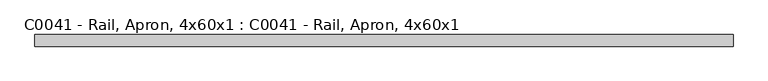
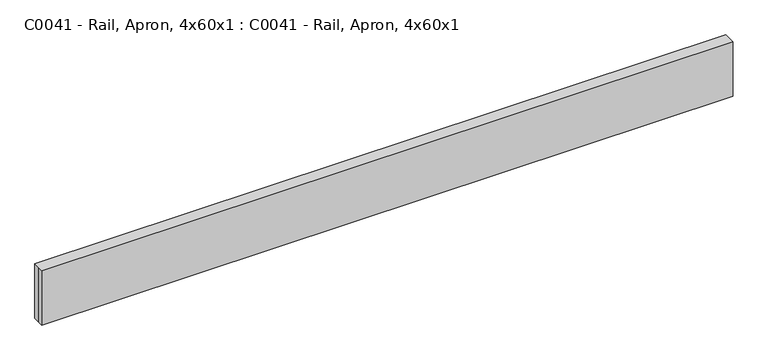
"""IFC4 building model written with IfcOpenShell, lengths in millimetres: proxy geometry, C0041 - Rail, Apron, 4x60x1 : C0041 - Rail, Apron, 4x60x1."""

from ifc_helpers import new_model, si_unit, origin, origin_with_axes, place, context, project, spatial, polyline, outline, extrude, source, transform, mapped, element, save


def c0041_rail_apron_4x60x1_c0041_rail_apron_4x60x1_4ee64734(model_context):
    return source(origin(), model_context, "Body", "SweptSolid", [
        extrude(outline(polyline([(-762.0, 12.7), (762.0, 12.7), (762.0, -12.7), (-762.0, -12.7), (-762.0, 0.0), (-762.0, 12.7)])), origin_with_axes(), (0.0, 0.0, 1.0), 127.0),
        extrude(outline(polyline([(762.0, -12.7), (-762.0, -12.7), (-762.0, 12.7), (762.0, 12.7), (762.0, -12.7)])), origin_with_axes(), (0.0, 0.0, 1.0), 127.0),
    ])


if __name__ == "__main__":
    model = new_model("IFC4")
    model_context = context("Model", 3, world=origin())
    ifc_project = project(units=[si_unit("LENGTHUNIT", "METRE", prefix="MILLI")], contexts=[model_context])
    site = spatial("IfcSite", under=ifc_project)
    building = spatial("IfcBuilding", under=site)
    placement = place(None, origin())
    c0041_rail_apron_4x60x1_c0041_rail_apron_4x60x1_shape = c0041_rail_apron_4x60x1_c0041_rail_apron_4x60x1_4ee64734(model_context)
    element("IfcBuildingElementProxy", 1, Name="C0041 - Rail, Apron, 4x60x1 : C0041 - Rail, Apron, 4x60x1", ObjectType="C0041 - Rail, Apron, 4x60x1 : C0041 - Rail, Apron, 4x60x1", at=placement, inside=building, context=model_context, shape_type="MappedRepresentation", body=[
        mapped(c0041_rail_apron_4x60x1_c0041_rail_apron_4x60x1_shape, transform((0.0, 0.0, 0.0), x_axis=(1.0, 0.0, 0.0), y_axis=(0.0, 1.0, 0.0), z_axis=(0.0, 0.0, 1.0))),
    ])
    save(model, "model.ifc")
